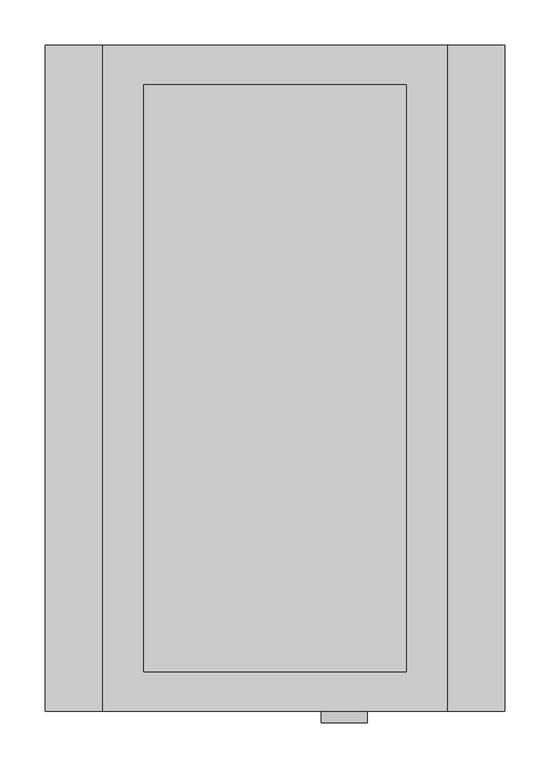
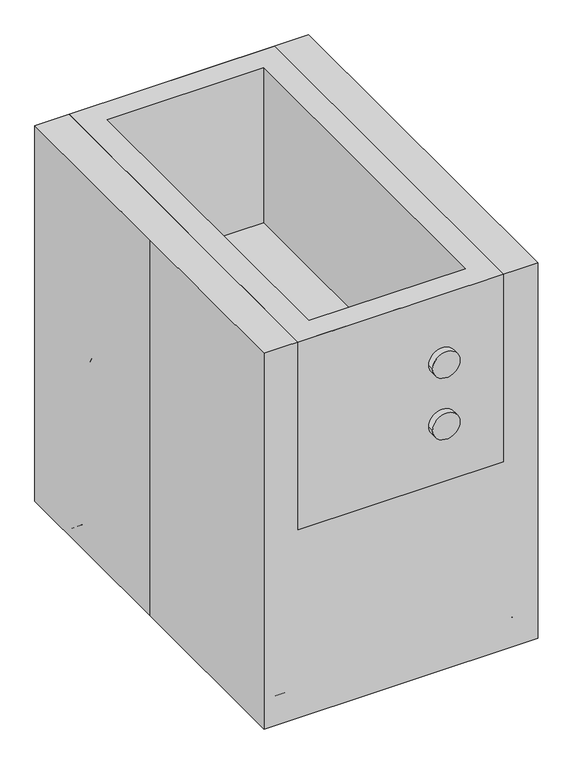
"""IFC4 building model written with IfcOpenShell, lengths in millimetres: proxy geometry."""

from ifc_helpers import new_model, si_unit, point, frame, frame_2d, origin, place, context, project, spatial, circle_curve, ellipse_curve, trimmed, segment, composite_curve, outline, extrude, faceted_brep, source, transform, mapped, element, save
from ifc_brep_helpers import plane_surface, cylinder_surface, revolved_surface, advanced_brep


def specialty_equipment_42924d02(model_context):
    return source(origin(), model_context, "Body", "SolidModel", [
        extrude(outline(composite_curve([segment(trimmed(circle_curve(frame_2d((485.9556738, 76.8754447)), 25.4), [point((485.9556738, 51.4754447))], [point((485.9556738, 102.2754447))], False, "CARTESIAN"), True, "CONTINUOUS"), segment(trimmed(circle_curve(frame_2d((485.9556738, 76.8754447)), 25.4), [point((485.9556738, 102.2754447))], [point((485.9556738, 51.4754447))], False, "CARTESIAN"), True, "CONTINUOUS")], self_intersect=False)), frame((0.0, -381.0, 0.0), z_axis=(0.0, 1.0, 0.0), x_axis=(0.0, 0.0, 1.0)), (0.0, 0.0, 1.0), 12.7),
        extrude(outline(composite_curve([segment(trimmed(circle_curve(frame_2d((606.6056738, 76.8754447)), 25.4), [point((606.6056738, 51.4754447))], [point((606.6056738, 102.2754447))], False, "CARTESIAN"), True, "CONTINUOUS"), segment(trimmed(circle_curve(frame_2d((606.6056738, 76.8754447)), 25.4), [point((606.6056738, 102.2754447))], [point((606.6056738, 51.4754447))], False, "CARTESIAN"), True, "CONTINUOUS")], self_intersect=False)), frame((0.0, -381.0, 0.0), z_axis=(0.0, 1.0, 0.0), x_axis=(0.0, 0.0, 1.0)), (0.0, 0.0, 1.0), 12.7),
        extrude(outline(composite_curve([segment(trimmed(circle_curve(frame_2d((206.9997368, -213.9491228)), 12.7), [point((206.9997368, -226.6491228))], [point((206.9997368, -201.2491228))], False, "CARTESIAN"), True, "CONTINUOUS"), segment(trimmed(circle_curve(frame_2d((206.9997368, -213.9491228)), 12.7), [point((206.9997368, -201.2491228))], [point((206.9997368, -226.6491228))], False, "CARTESIAN"), True, "CONTINUOUS")], self_intersect=False)), frame((0.0, -273.9112645, 0.0), z_axis=(0.0, 1.0, 0.0), x_axis=(0.0, 0.0, 1.0)), (0.0, 0.0, 1.0), 560.9872244),
        extrude(outline(composite_curve([segment(trimmed(circle_curve(frame_2d((206.9997368, 209.4565124)), 12.7), [point((206.9997368, 196.7565124))], [point((206.9997368, 222.1565124))], False, "CARTESIAN"), True, "CONTINUOUS"), segment(trimmed(circle_curve(frame_2d((206.9997368, 209.4565124)), 12.7), [point((206.9997368, 222.1565124))], [point((206.9997368, 196.7565124))], False, "CARTESIAN"), True, "CONTINUOUS")], self_intersect=False)), frame((0.0, -273.9112645, 0.0), z_axis=(0.0, 1.0, 0.0), x_axis=(0.0, 0.0, 1.0)), (0.0, 0.0, 1.0), 560.9872244),
        advanced_brep(
        [(-194.7333333, 305.59375, 101.6), (-232.8333333, 305.59375, 101.6), (-194.7333333, 305.59375, 273.05), (-232.8333333, 305.59375, 273.05), (-137.5833333, 305.59375, 368.3), (-137.5833333, 305.59375, 330.2), (133.35, 305.59375, 330.2), (133.35, 305.59375, 368.3), (228.6, 305.59375, 273.05), (190.5, 305.59375, 273.05), (190.5, 305.59375, 101.6), (228.6, 305.59375, 101.6)],
        [
            (0, 1, circle_curve(frame((-213.7833333, 305.59375, 101.6), z_axis=(0.0, 0.0, -1.0), x_axis=(-1.0, 0.0, 0.0)), 19.05)),
            (1, 0, circle_curve(frame((-213.7833333, 305.59375, 101.6), z_axis=(0.0, 0.0, -1.0), x_axis=(-1.0, 0.0, 0.0)), 19.05)),
            (0, 2),
            (2, 3, circle_curve(frame((-213.7833333, 305.59375, 273.05), z_axis=(0.0, 0.0, -1.0), x_axis=(-1.0, 0.0, 0.0)), 19.05)),
            (3, 1),
            (3, 2, circle_curve(frame((-213.7833333, 305.59375, 273.05), z_axis=(0.0, 0.0, -1.0), x_axis=(-1.0, 0.0, 0.0)), 19.05)),
            (4, 3, circle_curve(frame((-137.5833333, 305.59375, 273.05), z_axis=(0.0, -1.0, 0.0), x_axis=(-1.0, 0.0, 0.0)), 95.25)),
            (2, 5, circle_curve(frame((-137.5833333, 305.59375, 273.05), z_axis=(0.0, 1.0, 0.0), x_axis=(-1.0, 0.0, 0.0)), 57.15)),
            (5, 4, circle_curve(frame((-137.5833333, 305.59375, 349.25), z_axis=(-1.0, 0.0, 0.0), x_axis=(0.0, 0.0, 1.0)), 19.05)),
            (4, 5, circle_curve(frame((-137.5833333, 305.59375, 349.25), z_axis=(-1.0, 0.0, 0.0), x_axis=(0.0, 0.0, 1.0)), 19.05)),
            (5, 6),
            (6, 7, circle_curve(frame((133.35, 305.59375, 349.25), z_axis=(-1.0, 0.0, 0.0), x_axis=(0.0, 0.0, 1.0)), 19.05)),
            (7, 4),
            (7, 6, circle_curve(frame((133.35, 305.59375, 349.25), z_axis=(-1.0, 0.0, 0.0), x_axis=(0.0, 0.0, 1.0)), 19.05)),
            (8, 7, circle_curve(frame((133.35, 305.59375, 273.05), z_axis=(0.0, -1.0, 0.0), x_axis=(0.0, 0.0, 1.0)), 95.25)),
            (6, 9, circle_curve(frame((133.35, 305.59375, 273.05), z_axis=(0.0, 1.0, 0.0), x_axis=(0.0, 0.0, 1.0)), 57.15)),
            (9, 8, circle_curve(frame((209.55, 305.59375, 273.05), z_axis=(0.0, 0.0, 1.0), x_axis=(1.0, 0.0, 0.0)), 19.05)),
            (8, 9, circle_curve(frame((209.55, 305.59375, 273.05), z_axis=(0.0, 0.0, 1.0), x_axis=(1.0, 0.0, 0.0)), 19.05)),
            (10, 11, circle_curve(frame((209.55, 305.59375, 101.6), z_axis=(0.0, 0.0, -1.0), x_axis=(1.0, 0.0, 0.0)), 19.05)),
            (11, 10, circle_curve(frame((209.55, 305.59375, 101.6), z_axis=(0.0, 0.0, -1.0), x_axis=(1.0, 0.0, 0.0)), 19.05)),
            (9, 10),
            (11, 8),
        ],
        [
            plane_surface(frame((-213.7833333, 305.59375, 101.6), z_axis=(0.0, 0.0, -1.0), x_axis=(0.0, -1.0, 0.0))),
            cylinder_surface(frame((-213.7833333, 305.59375, 101.6), z_axis=(0.0, 0.0, -1.0), x_axis=(-1.0, 0.0, 0.0)), 19.05),
            revolved_surface(trimmed(ellipse_curve(frame((-213.7833333, 305.59375, 273.05), z_axis=(0.0, 0.0, -1.0), x_axis=(-1.0, 0.0, 0.0)), 19.05, 19.05), [point((-194.7333333, 305.59375, 273.05))], [point((-232.8333333, 305.59375, 273.05))], True, "CARTESIAN"), (-137.5833333, 305.59375, 273.05), (0.0, 1.0, 0.0)),
            revolved_surface(trimmed(ellipse_curve(frame((-213.7833333, 305.59375, 273.05), z_axis=(0.0, 0.0, -1.0), x_axis=(-1.0, 0.0, 0.0)), 19.05, 19.05), [point((-232.8333333, 305.59375, 273.05))], [point((-194.7333333, 305.59375, 273.05))], True, "CARTESIAN"), (-137.5833333, 305.59375, 273.05), (0.0, 1.0, 0.0)),
            cylinder_surface(frame((-137.5833333, 305.59375, 349.25), z_axis=(-1.0, 0.0, 0.0), x_axis=(0.0, 0.0, 1.0)), 19.05),
            revolved_surface(trimmed(ellipse_curve(frame((133.35, 305.59375, 349.25), z_axis=(-1.0, 0.0, 0.0), x_axis=(0.0, 0.0, 1.0)), 19.05, 19.05), [point((133.35, 305.59375, 330.2))], [point((133.35, 305.59375, 368.3))], True, "CARTESIAN"), (133.35, 305.59375, 273.05), (0.0, 1.0, 0.0)),
            revolved_surface(trimmed(ellipse_curve(frame((133.35, 305.59375, 349.25), z_axis=(-1.0, 0.0, 0.0), x_axis=(0.0, 0.0, 1.0)), 19.05, 19.05), [point((133.35, 305.59375, 368.3))], [point((133.35, 305.59375, 330.2))], True, "CARTESIAN"), (133.35, 305.59375, 273.05), (0.0, 1.0, 0.0)),
            plane_surface(frame((209.55, 305.59375, 101.6), z_axis=(0.0, 0.0, -1.0), x_axis=(0.0, -1.0, 0.0))),
            cylinder_surface(frame((209.55, 305.59375, 273.05), z_axis=(0.0, 0.0, 1.0), x_axis=(1.0, 0.0, 0.0)), 19.05),
        ],
        [
            (0, [[1, 2]]),
            (1, [[-1, 3, 4, 5]]),
            (1, [[-2, -5, 6, -3]]),
            (2, [[7, -4, 8, 9]]),
            (3, [[-8, -6, -7, 10]]),
            (4, [[-9, 11, 12, 13]]),
            (4, [[-10, -13, 14, -11]]),
            (5, [[15, -12, 16, 17]]),
            (6, [[-16, -14, -15, 18]]),
            (7, [[19, 20]]),
            (8, [[-17, 21, -20, 22]]),
            (8, [[-18, -22, -19, -21]]),
        ],
    ),
        advanced_brep(
        [(-194.7333333, -291.30625, 101.6), (-232.8333333, -291.30625, 101.6), (-194.7333333, -291.30625, 273.05), (-232.8333333, -291.30625, 273.05), (-137.5833333, -291.30625, 368.3), (-137.5833333, -291.30625, 330.2), (133.35, -291.30625, 330.2), (133.35, -291.30625, 368.3), (228.6, -291.30625, 273.05), (190.5, -291.30625, 273.05), (190.5, -291.30625, 101.6), (228.6, -291.30625, 101.6)],
        [
            (0, 1, circle_curve(frame((-213.7833333, -291.30625, 101.6), z_axis=(0.0, 0.0, -1.0), x_axis=(-1.0, 0.0, 0.0)), 19.05)),
            (1, 0, circle_curve(frame((-213.7833333, -291.30625, 101.6), z_axis=(0.0, 0.0, -1.0), x_axis=(-1.0, 0.0, 0.0)), 19.05)),
            (0, 2),
            (2, 3, circle_curve(frame((-213.7833333, -291.30625, 273.05), z_axis=(0.0, 0.0, -1.0), x_axis=(-1.0, 0.0, 0.0)), 19.05)),
            (3, 1),
            (3, 2, circle_curve(frame((-213.7833333, -291.30625, 273.05), z_axis=(0.0, 0.0, -1.0), x_axis=(-1.0, 0.0, 0.0)), 19.05)),
            (4, 3, circle_curve(frame((-137.5833333, -291.30625, 273.05), z_axis=(0.0, -1.0, 0.0), x_axis=(-1.0, 0.0, 0.0)), 95.25)),
            (2, 5, circle_curve(frame((-137.5833333, -291.30625, 273.05), z_axis=(0.0, 1.0, 0.0), x_axis=(-1.0, 0.0, 0.0)), 57.15)),
            (5, 4, circle_curve(frame((-137.5833333, -291.30625, 349.25), z_axis=(-1.0, 0.0, 0.0), x_axis=(0.0, 0.0, 1.0)), 19.05)),
            (4, 5, circle_curve(frame((-137.5833333, -291.30625, 349.25), z_axis=(-1.0, 0.0, 0.0), x_axis=(0.0, 0.0, 1.0)), 19.05)),
            (5, 6),
            (6, 7, circle_curve(frame((133.35, -291.30625, 349.25), z_axis=(-1.0, 0.0, 0.0), x_axis=(0.0, 0.0, 1.0)), 19.05)),
            (7, 4),
            (7, 6, circle_curve(frame((133.35, -291.30625, 349.25), z_axis=(-1.0, 0.0, 0.0), x_axis=(0.0, 0.0, 1.0)), 19.05)),
            (8, 7, circle_curve(frame((133.35, -291.30625, 273.05), z_axis=(0.0, -1.0, 0.0), x_axis=(0.0, 0.0, 1.0)), 95.25)),
            (6, 9, circle_curve(frame((133.35, -291.30625, 273.05), z_axis=(0.0, 1.0, 0.0), x_axis=(0.0, 0.0, 1.0)), 57.15)),
            (9, 8, circle_curve(frame((209.55, -291.30625, 273.05), z_axis=(0.0, 0.0, 1.0), x_axis=(1.0, 0.0, 0.0)), 19.05)),
            (8, 9, circle_curve(frame((209.55, -291.30625, 273.05), z_axis=(0.0, 0.0, 1.0), x_axis=(1.0, 0.0, 0.0)), 19.05)),
            (10, 11, circle_curve(frame((209.55, -291.30625, 101.6), z_axis=(0.0, 0.0, -1.0), x_axis=(1.0, 0.0, 0.0)), 19.05)),
            (11, 10, circle_curve(frame((209.55, -291.30625, 101.6), z_axis=(0.0, 0.0, -1.0), x_axis=(1.0, 0.0, 0.0)), 19.05)),
            (9, 10),
            (11, 8),
        ],
        [
            plane_surface(frame((-213.7833333, -291.30625, 101.6), z_axis=(0.0, 0.0, -1.0), x_axis=(0.0, -1.0, 0.0))),
            cylinder_surface(frame((-213.7833333, -291.30625, 101.6), z_axis=(0.0, 0.0, -1.0), x_axis=(-1.0, 0.0, 0.0)), 19.05),
            revolved_surface(trimmed(ellipse_curve(frame((-213.7833333, -291.30625, 273.05), z_axis=(0.0, 0.0, -1.0), x_axis=(-1.0, 0.0, 0.0)), 19.05, 19.05), [point((-194.7333333, -291.30625, 273.05))], [point((-232.8333333, -291.30625, 273.05))], True, "CARTESIAN"), (-137.5833333, -291.30625, 273.05), (0.0, 1.0, 0.0)),
            revolved_surface(trimmed(ellipse_curve(frame((-213.7833333, -291.30625, 273.05), z_axis=(0.0, 0.0, -1.0), x_axis=(-1.0, 0.0, 0.0)), 19.05, 19.05), [point((-232.8333333, -291.30625, 273.05))], [point((-194.7333333, -291.30625, 273.05))], True, "CARTESIAN"), (-137.5833333, -291.30625, 273.05), (0.0, 1.0, 0.0)),
            cylinder_surface(frame((-137.5833333, -291.30625, 349.25), z_axis=(-1.0, 0.0, 0.0), x_axis=(0.0, 0.0, 1.0)), 19.05),
            revolved_surface(trimmed(ellipse_curve(frame((133.35, -291.30625, 349.25), z_axis=(-1.0, 0.0, 0.0), x_axis=(0.0, 0.0, 1.0)), 19.05, 19.05), [point((133.35, -291.30625, 330.2))], [point((133.35, -291.30625, 368.3))], True, "CARTESIAN"), (133.35, -291.30625, 273.05), (0.0, 1.0, 0.0)),
            revolved_surface(trimmed(ellipse_curve(frame((133.35, -291.30625, 349.25), z_axis=(-1.0, 0.0, 0.0), x_axis=(0.0, 0.0, 1.0)), 19.05, 19.05), [point((133.35, -291.30625, 368.3))], [point((133.35, -291.30625, 330.2))], True, "CARTESIAN"), (133.35, -291.30625, 273.05), (0.0, 1.0, 0.0)),
            plane_surface(frame((209.55, -291.30625, 101.6), z_axis=(0.0, 0.0, -1.0), x_axis=(0.0, -1.0, 0.0))),
            cylinder_surface(frame((209.55, -291.30625, 273.05), z_axis=(0.0, 0.0, 1.0), x_axis=(1.0, 0.0, 0.0)), 19.05),
        ],
        [
            (0, [[1, 2]]),
            (1, [[-1, 3, 4, 5]]),
            (1, [[-2, -5, 6, -3]]),
            (2, [[7, -4, 8, 9]]),
            (3, [[-8, -6, -7, 10]]),
            (4, [[-9, 11, 12, 13]]),
            (4, [[-10, -13, 14, -11]]),
            (5, [[15, -12, 16, 17]]),
            (6, [[-16, -14, -15, 18]]),
            (7, [[19, 20]]),
            (8, [[-17, 21, -20, 22]]),
            (8, [[-18, -22, -19, -21]]),
        ],
    ),
        faceted_brep([(190.5, -368.3, 736.6), (190.5, -368.3, 368.3), (190.5, 368.3, 368.3), (190.5, 368.3, 736.6), (-190.5, -368.3, 736.6), (-190.5, 368.3, 736.6), (-190.5, 368.3, 368.3), (-190.5, -368.3, 368.3), (-144.9163242, 324.4953054, 736.6), (145.2018485, 324.4953054, 736.6), (145.2018485, -324.5432478, 736.6), (-144.9163242, -324.5432478, 736.6), (145.2018485, 324.4953054, 432.6839189), (-144.9163242, 324.4953054, 432.6839189), (-144.9163242, -324.5432478, 432.6839189), (145.2018485, -324.5432478, 432.6839189)], [[[0, 1, 2, 3]], [[4, 5, 6, 7]], [[1, 0, 4, 7]], [[2, 1, 7, 6]], [[3, 2, 6, 5]], [[0, 3, 5, 4], [8, 9, 10, 11]], [[12, 13, 14, 15]], [[13, 12, 9, 8]], [[14, 13, 8, 11]], [[15, 14, 11, 10]], [[12, 15, 10, 9]]]),
        faceted_brep([(-254.0, 368.3, 736.6), (-254.0, 0.0, 736.6), (-254.0, -368.3, 736.6), (254.0, -368.3, 736.6), (254.0, 368.3, 736.6), (-144.9163242, 324.4953054, 736.6), (145.2018485, 324.4953054, 736.6), (145.2018485, -324.5432478, 736.6), (-144.9163242, -324.5432478, 736.6), (-254.0, 368.3, 0.0), (254.0, 368.3, 0.0), (254.0, -368.3, 0.0), (-254.0, -368.3, 0.0), (-254.0, 0.0, 0.0), (145.2018485, 324.4953054, 432.6839189), (-144.9163242, 324.4953054, 432.6839189), (-144.9163242, -324.5432478, 432.6839189), (145.2018485, -324.5432478, 432.6839189)], [[[0, 1, 2, 3, 4], [5, 6, 7, 8]], [[9, 10, 11, 12, 13]], [[1, 0, 9, 13]], [[2, 1, 13, 12]], [[3, 2, 12, 11]], [[4, 3, 11, 10]], [[0, 4, 10, 9]], [[14, 15, 16, 17]], [[15, 14, 6, 5]], [[16, 15, 5, 8]], [[17, 16, 8, 7]], [[14, 17, 7, 6]]]),
        extrude(outline(composite_curve([segment(trimmed(circle_curve(frame_2d((290.3953983, 50.8)), 50.8), [point((341.1953983, 50.8))], [point((239.5953983, 50.8))], False, "CARTESIAN"), True, "CONTINUOUS"), segment(trimmed(circle_curve(frame_2d((290.3953983, 50.8)), 50.8), [point((239.5953983, 50.8))], [point((341.1953983, 50.8))], False, "CARTESIAN"), True, "CONTINUOUS")], self_intersect=False)), frame((-250.825, 0.0, 0.0), z_axis=(1.0, 0.0, 0.0), x_axis=(0.0, 1.0, 0.0)), (0.0, 0.0, 1.0), 19.05),
        extrude(outline(composite_curve([segment(trimmed(circle_curve(frame_2d((290.3953983, 50.8)), 50.8), [point((341.1953983, 50.8))], [point((239.5953983, 50.8))], False, "CARTESIAN"), True, "CONTINUOUS"), segment(trimmed(circle_curve(frame_2d((290.3953983, 50.8)), 50.8), [point((239.5953983, 50.8))], [point((341.1953983, 50.8))], False, "CARTESIAN"), True, "CONTINUOUS")], self_intersect=False)), frame((-193.675, 0.0, 0.0), z_axis=(1.0, 0.0, 0.0), x_axis=(0.0, 1.0, 0.0)), (0.0, 0.0, 1.0), 19.05),
        extrude(outline(composite_curve([segment(trimmed(circle_curve(frame_2d((-213.7833333, 307.3287316)), 16.9333333), [point((-196.85, 307.3287316))], [point((-230.7166667, 307.3287316))], False, "CARTESIAN"), True, "CONTINUOUS"), segment(trimmed(circle_curve(frame_2d((-213.7833333, 307.3287316)), 16.9333333), [point((-230.7166667, 307.3287316))], [point((-196.85, 307.3287316))], False, "CARTESIAN"), True, "CONTINUOUS")], self_intersect=False)), frame((0.0, 0.0, 50.8), z_axis=(0.0, 0.0, 1.0), x_axis=(1.0, 0.0, 0.0)), (0.0, 0.0, 1.0), 50.8),
        extrude(outline(composite_curve([segment(trimmed(circle_curve(frame_2d((290.3953983, 50.8)), 33.8666667), [point((256.5287316, 50.8))], [point((324.2620649, 50.8))], False, "CARTESIAN"), True, "CONTINUOUS"), segment(trimmed(circle_curve(frame_2d((290.3953983, 50.8)), 33.8666667), [point((324.2620649, 50.8))], [point((256.5287316, 50.8))], False, "CARTESIAN"), True, "CONTINUOUS")], self_intersect=False)), frame((-231.775, 0.0, 0.0), z_axis=(1.0, 0.0, 0.0), x_axis=(0.0, 1.0, 0.0)), (0.0, 0.0, 1.0), 38.1),
        extrude(outline(composite_curve([segment(trimmed(circle_curve(frame_2d((290.3953983, 50.8)), 50.8), [point((341.1953983, 50.8))], [point((239.5953983, 50.8))], False, "CARTESIAN"), True, "CONTINUOUS"), segment(trimmed(circle_curve(frame_2d((290.3953983, 50.8)), 50.8), [point((239.5953983, 50.8))], [point((341.1953983, 50.8))], False, "CARTESIAN"), True, "CONTINUOUS")], self_intersect=False)), frame((172.5806352, 0.0, 0.0), z_axis=(1.0, 0.0, 0.0), x_axis=(0.0, 1.0, 0.0)), (0.0, 0.0, 1.0), 19.05),
        extrude(outline(composite_curve([segment(trimmed(circle_curve(frame_2d((290.3953983, 50.8)), 50.8), [point((341.1953983, 50.8))], [point((239.5953983, 50.8))], False, "CARTESIAN"), True, "CONTINUOUS"), segment(trimmed(circle_curve(frame_2d((290.3953983, 50.8)), 50.8), [point((239.5953983, 50.8))], [point((341.1953983, 50.8))], False, "CARTESIAN"), True, "CONTINUOUS")], self_intersect=False)), frame((229.7306352, 0.0, 0.0), z_axis=(1.0, 0.0, 0.0), x_axis=(0.0, 1.0, 0.0)), (0.0, 0.0, 1.0), 19.05),
        extrude(outline(composite_curve([segment(trimmed(circle_curve(frame_2d((209.6223019, 307.3287316)), 16.9333333), [point((226.5556352, 307.3287316))], [point((192.6889686, 307.3287316))], False, "CARTESIAN"), True, "CONTINUOUS"), segment(trimmed(circle_curve(frame_2d((209.6223019, 307.3287316)), 16.9333333), [point((192.6889686, 307.3287316))], [point((226.5556352, 307.3287316))], False, "CARTESIAN"), True, "CONTINUOUS")], self_intersect=False)), frame((0.0, 0.0, 50.8), z_axis=(0.0, 0.0, 1.0), x_axis=(1.0, 0.0, 0.0)), (0.0, 0.0, 1.0), 50.8),
        extrude(outline(composite_curve([segment(trimmed(circle_curve(frame_2d((290.3953983, 50.8)), 33.8666667), [point((256.5287316, 50.8))], [point((324.2620649, 50.8))], False, "CARTESIAN"), True, "CONTINUOUS"), segment(trimmed(circle_curve(frame_2d((290.3953983, 50.8)), 33.8666667), [point((324.2620649, 50.8))], [point((256.5287316, 50.8))], False, "CARTESIAN"), True, "CONTINUOUS")], self_intersect=False)), frame((191.6306352, 0.0, 0.0), z_axis=(1.0, 0.0, 0.0), x_axis=(0.0, 1.0, 0.0)), (0.0, 0.0, 1.0), 38.1),
        extrude(outline(composite_curve([segment(trimmed(circle_curve(frame_2d((-306.5046017, 50.8)), 50.8), [point((-255.7046017, 50.8))], [point((-357.3046017, 50.8))], False, "CARTESIAN"), True, "CONTINUOUS"), segment(trimmed(circle_curve(frame_2d((-306.5046017, 50.8)), 50.8), [point((-357.3046017, 50.8))], [point((-255.7046017, 50.8))], False, "CARTESIAN"), True, "CONTINUOUS")], self_intersect=False)), frame((-250.825, 0.0, 0.0), z_axis=(1.0, 0.0, 0.0), x_axis=(0.0, 1.0, 0.0)), (0.0, 0.0, 1.0), 19.05),
        extrude(outline(composite_curve([segment(trimmed(circle_curve(frame_2d((-306.5046017, 50.8)), 50.8), [point((-255.7046017, 50.8))], [point((-357.3046017, 50.8))], False, "CARTESIAN"), True, "CONTINUOUS"), segment(trimmed(circle_curve(frame_2d((-306.5046017, 50.8)), 50.8), [point((-357.3046017, 50.8))], [point((-255.7046017, 50.8))], False, "CARTESIAN"), True, "CONTINUOUS")], self_intersect=False)), frame((-193.675, 0.0, 0.0), z_axis=(1.0, 0.0, 0.0), x_axis=(0.0, 1.0, 0.0)), (0.0, 0.0, 1.0), 19.05),
        extrude(outline(composite_curve([segment(trimmed(circle_curve(frame_2d((-213.7833333, -289.5712684)), 16.9333333), [point((-196.85, -289.5712684))], [point((-230.7166667, -289.5712684))], False, "CARTESIAN"), True, "CONTINUOUS"), segment(trimmed(circle_curve(frame_2d((-213.7833333, -289.5712684)), 16.9333333), [point((-230.7166667, -289.5712684))], [point((-196.85, -289.5712684))], False, "CARTESIAN"), True, "CONTINUOUS")], self_intersect=False)), frame((0.0, 0.0, 50.8), z_axis=(0.0, 0.0, 1.0), x_axis=(1.0, 0.0, 0.0)), (0.0, 0.0, 1.0), 50.8),
        extrude(outline(composite_curve([segment(trimmed(circle_curve(frame_2d((-306.5046017, 50.8)), 33.8666667), [point((-340.3712684, 50.8))], [point((-272.6379351, 50.8))], False, "CARTESIAN"), True, "CONTINUOUS"), segment(trimmed(circle_curve(frame_2d((-306.5046017, 50.8)), 33.8666667), [point((-272.6379351, 50.8))], [point((-340.3712684, 50.8))], False, "CARTESIAN"), True, "CONTINUOUS")], self_intersect=False)), frame((-231.775, 0.0, 0.0), z_axis=(1.0, 0.0, 0.0), x_axis=(0.0, 1.0, 0.0)), (0.0, 0.0, 1.0), 38.1),
        extrude(outline(composite_curve([segment(trimmed(circle_curve(frame_2d((-306.5046017, 50.8)), 50.8), [point((-255.7046017, 50.8))], [point((-357.3046017, 50.8))], False, "CARTESIAN"), True, "CONTINUOUS"), segment(trimmed(circle_curve(frame_2d((-306.5046017, 50.8)), 50.8), [point((-357.3046017, 50.8))], [point((-255.7046017, 50.8))], False, "CARTESIAN"), True, "CONTINUOUS")], self_intersect=False)), frame((172.5806352, 0.0, 0.0), z_axis=(1.0, 0.0, 0.0), x_axis=(0.0, 1.0, 0.0)), (0.0, 0.0, 1.0), 19.05),
        extrude(outline(composite_curve([segment(trimmed(circle_curve(frame_2d((-306.5046017, 50.8)), 50.8), [point((-255.7046017, 50.8))], [point((-357.3046017, 50.8))], False, "CARTESIAN"), True, "CONTINUOUS"), segment(trimmed(circle_curve(frame_2d((-306.5046017, 50.8)), 50.8), [point((-357.3046017, 50.8))], [point((-255.7046017, 50.8))], False, "CARTESIAN"), True, "CONTINUOUS")], self_intersect=False)), frame((229.7306352, 0.0, 0.0), z_axis=(1.0, 0.0, 0.0), x_axis=(0.0, 1.0, 0.0)), (0.0, 0.0, 1.0), 19.05),
        extrude(outline(composite_curve([segment(trimmed(circle_curve(frame_2d((209.6223019, -289.5712684)), 16.9333333), [point((226.5556352, -289.5712684))], [point((192.6889686, -289.5712684))], False, "CARTESIAN"), True, "CONTINUOUS"), segment(trimmed(circle_curve(frame_2d((209.6223019, -289.5712684)), 16.9333333), [point((192.6889686, -289.5712684))], [point((226.5556352, -289.5712684))], False, "CARTESIAN"), True, "CONTINUOUS")], self_intersect=False)), frame((0.0, 0.0, 50.8), z_axis=(0.0, 0.0, 1.0), x_axis=(1.0, 0.0, 0.0)), (0.0, 0.0, 1.0), 50.8),
        extrude(outline(composite_curve([segment(trimmed(circle_curve(frame_2d((-306.5046017, 50.8)), 33.8666667), [point((-340.3712684, 50.8))], [point((-272.6379351, 50.8))], False, "CARTESIAN"), True, "CONTINUOUS"), segment(trimmed(circle_curve(frame_2d((-306.5046017, 50.8)), 33.8666667), [point((-272.6379351, 50.8))], [point((-340.3712684, 50.8))], False, "CARTESIAN"), True, "CONTINUOUS")], self_intersect=False)), frame((191.6306352, 0.0, 0.0), z_axis=(1.0, 0.0, 0.0), x_axis=(0.0, 1.0, 0.0)), (0.0, 0.0, 1.0), 38.1),
    ])


if __name__ == "__main__":
    model = new_model("IFC4")
    model_context = context("Model", 3, world=origin())
    ifc_project = project(units=[si_unit("LENGTHUNIT", "METRE", prefix="MILLI")], contexts=[model_context])
    site = spatial("IfcSite", under=ifc_project)
    building = spatial("IfcBuilding", under=site)
    placement = place(None, origin())
    specialty_equipment_shape = specialty_equipment_42924d02(model_context)
    element("IfcBuildingElementProxy", 1, Name="Specialty Equipment", at=placement, inside=building, context=model_context, shape_type="MappedRepresentation", body=[
        mapped(specialty_equipment_shape, transform((0.0, 0.0, 0.0), x_axis=(1.0, 0.0, 0.0), y_axis=(0.0, 1.0, 0.0), z_axis=(0.0, 0.0, 1.0))),
    ])
    save(model, "model.ifc")
